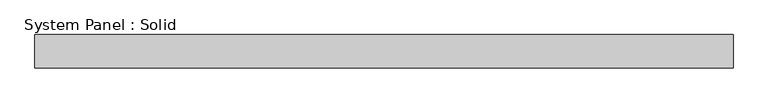
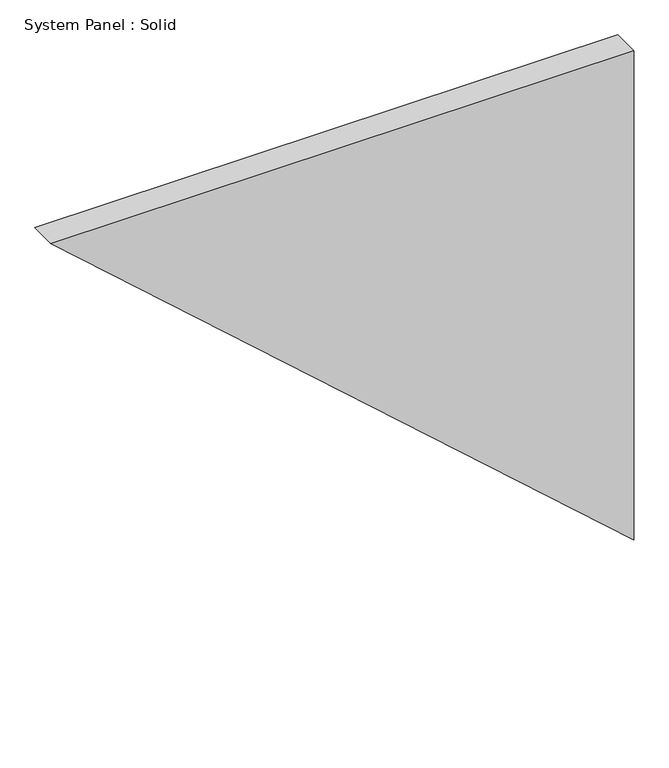
"""IFC4 building model written with IfcOpenShell, lengths in millimetres: plate geometry, System Panel : Solid."""

from ifc_helpers import new_model, si_unit, frame, origin, place, context, project, spatial, polyline, outline, extrude, source, transform, mapped, element, save


def system_panel_solid_fc3cfd16(model_context):
    return source(origin(), model_context, "Body", "SweptSolid", [
        extrude(outline(polyline([(1120.2313398, -631.3330497), (0.0, 631.3330497), (1120.2313398, 631.3330497), (1120.2313398, -631.3330497)])), frame((0.0, -10.5, 0.0), z_axis=(0.0, 1.0, 0.0), x_axis=(0.0, 0.0, 1.0)), (0.0, 0.0, 1.0), 60.0),
    ])


if __name__ == "__main__":
    model = new_model("IFC4")
    model_context = context("Model", 3, world=origin())
    ifc_project = project(units=[si_unit("LENGTHUNIT", "METRE", prefix="MILLI")], contexts=[model_context])
    site = spatial("IfcSite", under=ifc_project)
    building = spatial("IfcBuilding", under=site)
    placement = place(None, origin())
    system_panel_solid_shape = system_panel_solid_fc3cfd16(model_context)
    element("IfcPlate", 1, ObjectType="System Panel : Solid", at=placement, inside=building, context=model_context, shape_type="MappedRepresentation", body=[
        mapped(system_panel_solid_shape, transform((0.0, 0.0, 0.0), x_axis=(1.0, 0.0, 0.0), y_axis=(0.0, 1.0, 0.0), z_axis=(0.0, 0.0, 1.0))),
    ])
    save(model, "model.ifc")
